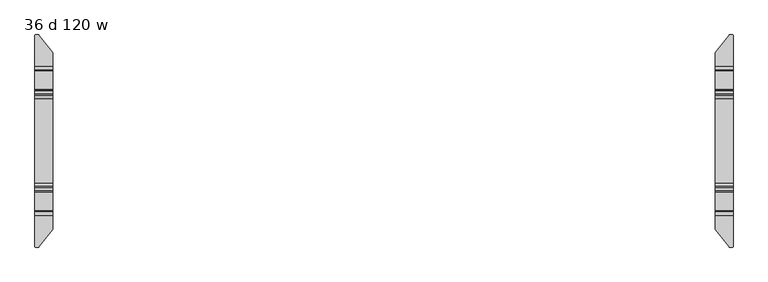
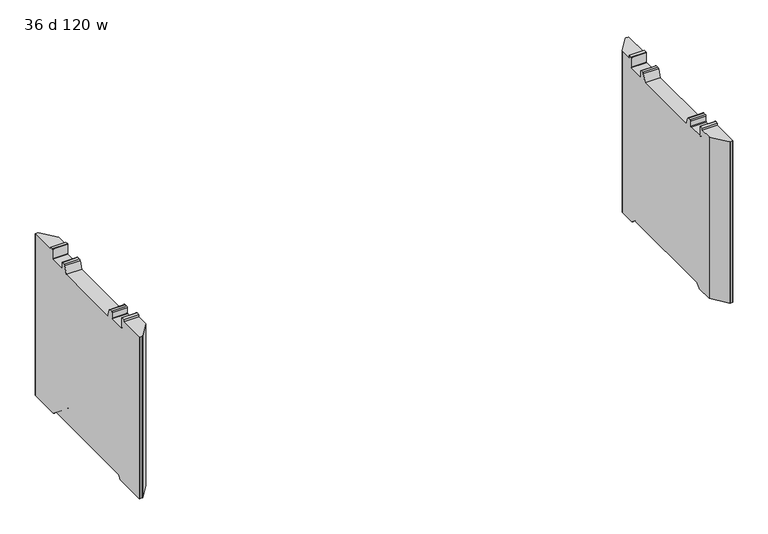
"""IFC4 building model written with IfcOpenShell, lengths in millimetres: furniture geometry, 36 d 120 w."""

from ifc_helpers import new_model, si_unit, frame, origin, place, context, project, spatial, polyline, circle_curve, source, transform, mapped, element, save
from ifc_brep_helpers import plane_surface, cylinder_surface, revolved_surface, advanced_brep


def furniture_36_d_120_w_245aab2d(model_context):
    return source(origin(), model_context, "Body", "AdvancedBrep", [
        advanced_brep(
        [(-1475.1161014, 453.756006, 12.2237497), (-1473.4757746, 452.9624669, 12.2237497), (-1414.2991168, 378.21303, 12.2237497), (-1413.7789661, 376.7179953, 12.2237497), (-1413.7789661, 294.9587399, 12.2237497), (-1489.9632694, 294.9587399, 12.2237497), (-1489.9632694, 452.1791145, 12.2237497), (-1488.3863779, 453.756006, 12.2237497), (-1413.7789661, -376.7179953, 12.2237497), (-1414.2991168, -378.21303, 12.2237497), (-1473.4757746, -452.9624669, 12.2237497), (-1475.1161014, -453.756006, 12.2237497), (-1488.3863779, -453.756006, 12.2237497), (-1489.9632694, -452.1791145, 12.2237497), (-1489.9632694, -294.9587399, 12.2237497), (-1413.7789661, -294.9587399, 12.2237497), (-1488.3863779, 453.756006, 868.6901447), (-1475.1161014, 453.756006, 868.6901447), (-1489.9632694, 452.1791145, 868.6901447), (-1489.9632694, 289.7594731, 14.3773565), (-1489.9632694, 273.2848361, 30.8519935), (-1489.9632694, 268.050421, 33.0201593), (-1489.9632694, -268.050421, 33.0201593), (-1489.9632694, -273.2848361, 30.8519935), (-1489.9632694, -289.7594731, 14.3773565), (-1489.9632694, -452.1791145, 868.6901447), (-1489.9632694, -318.1440074, 868.6901447), (-1489.9632694, -318.1440074, 879.7001558), (-1489.9632694, -302.2559965, 879.7001558), (-1489.9632694, -300.2560005, 877.7001598), (-1489.9632694, -300.2560005, 828.2251456), (-1489.9632694, -298.2560045, 826.2251495), (-1489.9632694, -220.2560008, 826.2251495), (-1489.9632694, -218.2560002, 828.2251501), (-1489.9632694, -218.2560002, 856.2251352), (-1489.9632694, -213.255942, 861.2251934), (-1489.9632694, -199.7023259, 861.2251934), (-1489.9632694, -193.735277, 857.0470192), (-1489.9632694, -179.6052798, 818.2251291), (-1489.9632694, 179.6052798, 818.2251291), (-1489.9632694, 193.735277, 857.0470192), (-1489.9632694, 199.7023259, 861.2251934), (-1489.9632694, 213.255942, 861.2251934), (-1489.9632694, 218.2560002, 856.2251352), (-1489.9632694, 218.2560002, 828.2251501), (-1489.9632694, 220.2560008, 826.2251495), (-1489.9632694, 298.2560045, 826.2251495), (-1489.9632694, 300.2560005, 828.2251456), (-1489.9632694, 300.2560005, 877.7001598), (-1489.9632694, 302.2559965, 879.7001558), (-1489.9632694, 318.1440074, 879.7001558), (-1489.9632694, 318.1440074, 868.6901447), (-1488.3863779, -453.756006, 868.6901447), (-1475.1161014, -453.756006, 868.6901447), (-1473.4757746, -452.9624669, 868.6901447), (-1414.2991168, -378.21303, 868.6901447), (-1413.7789661, -376.7179953, 868.6901447), (-1413.7789661, -289.7594731, 14.3773565), (-1413.7789661, -273.2848361, 30.8519935), (-1413.7789661, -268.050421, 33.0201593), (-1413.7789661, 268.050421, 33.0201593), (-1413.7789661, 273.2848361, 30.8519935), (-1413.7789661, 289.7594731, 14.3773565), (-1413.7789661, 376.7179953, 868.6901447), (-1413.7789661, 318.1440074, 868.6901447), (-1413.7789661, 318.1440074, 879.7001558), (-1413.7789661, 302.2559965, 879.7001558), (-1413.7789661, 300.2560005, 877.7001598), (-1413.7789661, 300.2560005, 828.2251456), (-1413.7789661, 298.2560045, 826.2251495), (-1413.7789661, 220.2560008, 826.2251495), (-1413.7789661, 218.2560002, 828.2251501), (-1413.7789661, 218.2560002, 856.2251352), (-1413.7789661, 213.255942, 861.2251934), (-1413.7789661, 199.7023259, 861.2251934), (-1413.7789661, 193.735277, 857.0470192), (-1413.7789661, 179.6052798, 818.2251291), (-1413.7789661, -179.6052798, 818.2251291), (-1413.7789661, -193.735277, 857.0470192), (-1413.7789661, -199.7023259, 861.2251934), (-1413.7789661, -213.255942, 861.2251934), (-1413.7789661, -218.2560002, 856.2251352), (-1413.7789661, -218.2560002, 828.2251501), (-1413.7789661, -220.2560008, 826.2251495), (-1413.7789661, -298.2560045, 826.2251495), (-1413.7789661, -300.2560005, 828.2251456), (-1413.7789661, -300.2560005, 877.7001598), (-1413.7789661, -302.2559965, 879.7001558), (-1413.7789661, -318.1440074, 879.7001558), (-1413.7789661, -318.1440074, 868.6901447), (-1414.2991168, 378.21303, 868.6901447), (-1473.4757746, 452.9624669, 868.6901447)],
        [
            (0, 1, circle_curve(frame((-1475.1161014, 451.6638745, 12.2237497), z_axis=(0.0, 0.0, -1.0), x_axis=(-1.0, 0.0, 0.0)), 2.0921315)),
            (1, 2),
            (2, 3, circle_curve(frame((-1416.187581, 376.7179953, 12.2237497), z_axis=(0.0, 0.0, -1.0), x_axis=(-1.0, 0.0, 0.0)), 2.4086149)),
            (3, 4),
            (4, 5),
            (5, 6),
            (6, 7, circle_curve(frame((-1488.3863779, 452.1791145, 12.2237497), z_axis=(0.0, 0.0, -1.0), x_axis=(-1.0, 0.0, 0.0)), 1.5768915)),
            (7, 0),
            (8, 9, circle_curve(frame((-1416.187581, -376.7179953, 12.2237497), z_axis=(0.0, 0.0, -1.0), x_axis=(-1.0, 0.0, 0.0)), 2.4086149)),
            (9, 10),
            (10, 11, circle_curve(frame((-1475.1161014, -451.6638745, 12.2237497), z_axis=(0.0, 0.0, -1.0), x_axis=(-1.0, 0.0, 0.0)), 2.0921315)),
            (11, 12),
            (12, 13, circle_curve(frame((-1488.3863779, -452.1791145, 12.2237497), z_axis=(0.0, 0.0, -1.0), x_axis=(-1.0, 0.0, 0.0)), 1.5768915)),
            (13, 14),
            (14, 15),
            (15, 8),
            (7, 16),
            (16, 17),
            (17, 0),
            (6, 18),
            (18, 16, circle_curve(frame((-1488.3863779, 452.1791145, 868.6901447), z_axis=(0.0, 0.0, -1.0), x_axis=(-1.0, 0.0, 0.0)), 1.5768915)),
            (5, 19, circle_curve(frame((-1489.9632694, 294.9587399, 19.5766232), z_axis=(-1.0, 0.0, 0.0), x_axis=(0.0, -1.0, 0.0)), 7.3528735)),
            (19, 20),
            (20, 21, circle_curve(frame((-1489.9632694, 268.050421, 25.6175784), z_axis=(1.0, 0.0, 0.0), x_axis=(0.0, -1.0, 0.0)), 7.4025809)),
            (21, 22),
            (22, 23, circle_curve(frame((-1489.9632694, -268.050421, 25.6175784), z_axis=(1.0, 0.0, 0.0), x_axis=(0.0, -1.0, 0.0)), 7.4025809)),
            (23, 24),
            (24, 14, circle_curve(frame((-1489.9632694, -294.9587399, 19.5766232), z_axis=(-1.0, 0.0, 0.0), x_axis=(0.0, -1.0, 0.0)), 7.3528735)),
            (13, 25),
            (25, 26),
            (26, 27),
            (27, 28),
            (28, 29, circle_curve(frame((-1489.9632694, -302.2559965, 877.7001598), z_axis=(-1.0, 0.0, 0.0), x_axis=(0.0, -1.0, 0.0)), 1.999996)),
            (29, 30),
            (30, 31, circle_curve(frame((-1489.9632694, -298.2560045, 828.2251456), z_axis=(1.0, 0.0, 0.0), x_axis=(0.0, -1.0, 0.0)), 1.999996)),
            (31, 32),
            (32, 33, circle_curve(frame((-1489.9632694, -220.2560008, 828.2251501), z_axis=(1.0, 0.0, 0.0), x_axis=(0.0, -1.0, 0.0)), 2.0000006)),
            (33, 34),
            (34, 35, circle_curve(frame((-1489.9632694, -213.255942, 856.2251352), z_axis=(-1.0, 0.0, 0.0), x_axis=(0.0, -1.0, 0.0)), 5.0000582)),
            (35, 36),
            (36, 37, circle_curve(frame((-1489.9632694, -199.7023259, 854.8751934), z_axis=(-1.0, 0.0, 0.0), x_axis=(0.0, -1.0, 0.0)), 6.35)),
            (37, 38),
            (38, 39),
            (39, 40),
            (40, 41, circle_curve(frame((-1489.9632694, 199.7023259, 854.8751934), z_axis=(-1.0, 0.0, 0.0), x_axis=(0.0, -1.0, 0.0)), 6.35)),
            (41, 42),
            (42, 43, circle_curve(frame((-1489.9632694, 213.255942, 856.2251352), z_axis=(-1.0, 0.0, 0.0), x_axis=(0.0, -1.0, 0.0)), 5.0000582)),
            (43, 44),
            (44, 45, circle_curve(frame((-1489.9632694, 220.2560008, 828.2251501), z_axis=(1.0, 0.0, 0.0), x_axis=(0.0, -1.0, 0.0)), 2.0000006)),
            (45, 46),
            (46, 47, circle_curve(frame((-1489.9632694, 298.2560045, 828.2251456), z_axis=(1.0, 0.0, 0.0), x_axis=(0.0, -1.0, 0.0)), 1.999996)),
            (47, 48),
            (48, 49, circle_curve(frame((-1489.9632694, 302.2559965, 877.7001598), z_axis=(-1.0, 0.0, 0.0), x_axis=(0.0, -1.0, 0.0)), 1.999996)),
            (49, 50),
            (50, 51),
            (51, 18),
            (12, 52),
            (52, 25, circle_curve(frame((-1488.3863779, -452.1791145, 868.6901447), z_axis=(0.0, 0.0, -1.0), x_axis=(-1.0, 0.0, 0.0)), 1.5768915)),
            (11, 53),
            (53, 52),
            (10, 54),
            (54, 53, circle_curve(frame((-1475.1161014, -451.6638745, 868.6901447), z_axis=(0.0, 0.0, -1.0), x_axis=(-1.0, 0.0, 0.0)), 2.0921315)),
            (9, 55),
            (55, 54),
            (8, 56),
            (56, 55, circle_curve(frame((-1416.187581, -376.7179953, 868.6901447), z_axis=(0.0, 0.0, -1.0), x_axis=(-1.0, 0.0, 0.0)), 2.4086149)),
            (15, 57, circle_curve(frame((-1413.7789661, -294.9587399, 19.5766232), z_axis=(1.0, 0.0, 0.0), x_axis=(0.0, -1.0, 0.0)), 7.3528735)),
            (57, 58),
            (58, 59, circle_curve(frame((-1413.7789661, -268.050421, 25.6175784), z_axis=(-1.0, 0.0, 0.0), x_axis=(0.0, -1.0, 0.0)), 7.4025809)),
            (59, 60),
            (60, 61, circle_curve(frame((-1413.7789661, 268.050421, 25.6175784), z_axis=(-1.0, 0.0, 0.0), x_axis=(0.0, -1.0, 0.0)), 7.4025809)),
            (61, 62),
            (62, 4, circle_curve(frame((-1413.7789661, 294.9587399, 19.5766232), z_axis=(1.0, 0.0, 0.0), x_axis=(0.0, -1.0, 0.0)), 7.3528735)),
            (3, 63),
            (63, 64),
            (64, 65),
            (65, 66),
            (66, 67, circle_curve(frame((-1413.7789661, 302.2559965, 877.7001598), z_axis=(1.0, 0.0, 0.0), x_axis=(0.0, -1.0, 0.0)), 1.999996)),
            (67, 68),
            (68, 69, circle_curve(frame((-1413.7789661, 298.2560045, 828.2251456), z_axis=(-1.0, 0.0, 0.0), x_axis=(0.0, -1.0, 0.0)), 1.999996)),
            (69, 70),
            (70, 71, circle_curve(frame((-1413.7789661, 220.2560008, 828.2251501), z_axis=(-1.0, 0.0, 0.0), x_axis=(0.0, -1.0, 0.0)), 2.0000006)),
            (71, 72),
            (72, 73, circle_curve(frame((-1413.7789661, 213.255942, 856.2251352), z_axis=(1.0, 0.0, 0.0), x_axis=(0.0, -1.0, 0.0)), 5.0000582)),
            (73, 74),
            (74, 75, circle_curve(frame((-1413.7789661, 199.7023259, 854.8751934), z_axis=(1.0, 0.0, 0.0), x_axis=(0.0, -1.0, 0.0)), 6.35)),
            (75, 76),
            (76, 77),
            (77, 78),
            (78, 79, circle_curve(frame((-1413.7789661, -199.7023259, 854.8751934), z_axis=(1.0, 0.0, 0.0), x_axis=(0.0, -1.0, 0.0)), 6.35)),
            (79, 80),
            (80, 81, circle_curve(frame((-1413.7789661, -213.255942, 856.2251352), z_axis=(1.0, 0.0, 0.0), x_axis=(0.0, -1.0, 0.0)), 5.0000582)),
            (81, 82),
            (82, 83, circle_curve(frame((-1413.7789661, -220.2560008, 828.2251501), z_axis=(-1.0, 0.0, 0.0), x_axis=(0.0, -1.0, 0.0)), 2.0000006)),
            (83, 84),
            (84, 85, circle_curve(frame((-1413.7789661, -298.2560045, 828.2251456), z_axis=(-1.0, 0.0, 0.0), x_axis=(0.0, -1.0, 0.0)), 1.999996)),
            (85, 86),
            (86, 87, circle_curve(frame((-1413.7789661, -302.2559965, 877.7001598), z_axis=(1.0, 0.0, 0.0), x_axis=(0.0, -1.0, 0.0)), 1.999996)),
            (87, 88),
            (88, 89),
            (89, 56),
            (2, 90),
            (90, 63, circle_curve(frame((-1416.187581, 376.7179953, 868.6901447), z_axis=(0.0, 0.0, -1.0), x_axis=(-1.0, 0.0, 0.0)), 2.4086149)),
            (1, 91),
            (91, 90),
            (17, 91, circle_curve(frame((-1475.1161014, 451.6638745, 868.6901447), z_axis=(0.0, 0.0, -1.0), x_axis=(-1.0, 0.0, 0.0)), 2.0921315)),
            (50, 65),
            (64, 51),
            (89, 26),
            (88, 27),
            (87, 28),
            (86, 29),
            (85, 30),
            (84, 31),
            (83, 32),
            (82, 33),
            (81, 34),
            (80, 35),
            (79, 36),
            (78, 37),
            (77, 38),
            (76, 39),
            (75, 40),
            (74, 41),
            (73, 42),
            (72, 43),
            (71, 44),
            (70, 45),
            (69, 46),
            (68, 47),
            (67, 48),
            (66, 49),
            (19, 62),
            (61, 20),
            (60, 21),
            (59, 22),
            (58, 23),
            (57, 24),
        ],
        [
            plane_surface(frame((-1488.3863779, 453.756006, 12.2237497), z_axis=(0.0, 0.0, -1.0), x_axis=(1.0, 0.0, 0.0))),
            plane_surface(frame((-1475.1161014, 453.756006, 884.8344355), z_axis=(0.0, 1.0, 0.0), x_axis=(0.0, 0.0, -1.0))),
            cylinder_surface(frame((-1488.3863779, 452.1791145, 12.2237497), z_axis=(0.0, 0.0, 1.0), x_axis=(-1.0, 0.0, 0.0)), 1.5768915),
            plane_surface(frame((-1489.9632694, 452.1791145, 884.8344355), z_axis=(-1.0, 0.0, 0.0), x_axis=(0.0, 0.0, -1.0))),
            cylinder_surface(frame((-1488.3863779, -452.1791145, 12.2237497), z_axis=(0.0, 0.0, 1.0), x_axis=(-1.0, 0.0, 0.0)), 1.5768915),
            plane_surface(frame((-1488.3863779, -453.756006, 884.8344355), z_axis=(0.0, -1.0, 0.0), x_axis=(0.0, 0.0, -1.0))),
            cylinder_surface(frame((-1475.1161014, -451.6638745, 12.2237497), z_axis=(0.0, 0.0, 1.0), x_axis=(-1.0, 0.0, 0.0)), 2.0921315),
            plane_surface(frame((-1473.4757746, -452.9624669, 884.8344355), z_axis=(0.7840457211746549, -0.6207030748334628, 0.0), x_axis=(0.0, 0.0, -1.0))),
            cylinder_surface(frame((-1416.187581, -376.7179953, 12.2237497), z_axis=(0.0, 0.0, 1.0), x_axis=(-1.0, 0.0, 0.0)), 2.4086149),
            plane_surface(frame((-1413.7789661, -376.7179953, 884.8344355), z_axis=(1.0, 0.0, 0.0), x_axis=(0.0, 0.0, -1.0))),
            cylinder_surface(frame((-1416.187581, 376.7179953, 12.2237497), z_axis=(0.0, 0.0, 1.0), x_axis=(-1.0, 0.0, 0.0)), 2.4086149),
            plane_surface(frame((-1414.2991168, 378.21303, 884.8344355), z_axis=(0.784045721174651, 0.6207030748334678, 0.0), x_axis=(0.0, 0.0, -1.0))),
            cylinder_surface(frame((-1475.1161014, 451.6638745, 12.2237497), z_axis=(0.0, 0.0, 1.0), x_axis=(-1.0, 0.0, 0.0)), 2.0921315),
            plane_surface(frame((1489.9632694, 318.1440074, 879.7001558), z_axis=(0.0, 1.0, 0.0), x_axis=(-1.0, 0.0, 0.0))),
            plane_surface(frame((1489.9632694, 318.1440074, 868.6901447), z_axis=(0.0, 0.0, 1.0), x_axis=(-1.0, 0.0, 0.0))),
            plane_surface(frame((1489.9632694, -455.1440027, 868.6901447), z_axis=(0.0, 0.0, 1.0), x_axis=(-1.0, 0.0, 0.0))),
            plane_surface(frame((1489.9632694, -318.1440074, 868.6901447), z_axis=(0.0, -1.0, 0.0), x_axis=(-1.0, 0.0, 0.0))),
            plane_surface(frame((1489.9632694, -318.1440074, 879.7001558), z_axis=(0.0, 0.0, 1.0), x_axis=(-1.0, 0.0, 0.0))),
            cylinder_surface(frame((1489.9632694, -302.2559965, 877.7001598), z_axis=(-1.0, 0.0, 0.0), x_axis=(0.0, -1.0, 0.0)), 1.999996),
            plane_surface(frame((1489.9632694, -300.2560005, 877.7001598), z_axis=(0.0, 1.0, 0.0), x_axis=(-1.0, 0.0, 0.0))),
            revolved_surface(polyline([(-1413.7789661, -300.2560005, 828.2251456), (-1489.9632694, -300.2560005, 828.2251456)]), (1489.9632694, -298.2560045, 828.2251456), (1.0, 0.0, 0.0)),
            plane_surface(frame((1489.9632694, -298.2560045, 826.2251495), z_axis=(0.0, 0.0, 1.0), x_axis=(-1.0, 0.0, 0.0))),
            revolved_surface(polyline([(-1413.7789661, -222.2560014, 828.2251501), (-1489.9632694, -222.2560014, 828.2251501)]), (1489.9632694, -220.2560008, 828.2251501), (1.0, 0.0, 0.0)),
            plane_surface(frame((1489.9632694, -218.2560002, 828.2251501), z_axis=(0.0, -1.0, 0.0), x_axis=(-1.0, 0.0, 0.0))),
            cylinder_surface(frame((1489.9632694, -213.255942, 856.2251352), z_axis=(-1.0, 0.0, 0.0), x_axis=(0.0, -1.0, 0.0)), 5.0000582),
            plane_surface(frame((1489.9632694, -213.255942, 861.2251934), z_axis=(0.0, 0.0, 1.0), x_axis=(-1.0, 0.0, 0.0))),
            cylinder_surface(frame((1489.9632694, -199.7023259, 854.8751934), z_axis=(-1.0, 0.0, 0.0), x_axis=(0.0, -1.0, 0.0)), 6.35),
            plane_surface(frame((1489.9632694, -193.735277, 857.0470192), z_axis=(0.0, 0.9396927394269929, 0.34201981736179204), x_axis=(-1.0, 0.0, 0.0))),
            plane_surface(frame((1489.9632694, -179.6052798, 818.2251291), z_axis=(0.0, 0.0, 1.0), x_axis=(-1.0, 0.0, 0.0))),
            plane_surface(frame((1489.9632694, 179.6052798, 818.2251291), z_axis=(0.0, -0.9396927394269924, 0.3420198173617935), x_axis=(-1.0, 0.0, 0.0))),
            cylinder_surface(frame((1489.9632694, 199.7023259, 854.8751934), z_axis=(-1.0, 0.0, 0.0), x_axis=(0.0, -1.0, 0.0)), 6.35),
            plane_surface(frame((1489.9632694, 199.7023259, 861.2251934), z_axis=(0.0, 0.0, 1.0), x_axis=(-1.0, 0.0, 0.0))),
            cylinder_surface(frame((1489.9632694, 213.255942, 856.2251352), z_axis=(-1.0, 0.0, 0.0), x_axis=(0.0, -1.0, 0.0)), 5.0000582),
            plane_surface(frame((1489.9632694, 218.2560002, 856.2251352), z_axis=(0.0, 1.0, 0.0), x_axis=(-1.0, 0.0, 0.0))),
            revolved_surface(polyline([(-1413.7789661, 218.25600020000002, 828.2251501), (-1489.9632694, 218.25600020000002, 828.2251501)]), (1489.9632694, 220.2560008, 828.2251501), (1.0, 0.0, 0.0)),
            plane_surface(frame((1489.9632694, 220.2560008, 826.2251495), z_axis=(0.0, 0.0, 1.0), x_axis=(-1.0, 0.0, 0.0))),
            revolved_surface(polyline([(-1413.7789661, 296.2560085, 828.2251456), (-1489.9632694, 296.2560085, 828.2251456)]), (1489.9632694, 298.2560045, 828.2251456), (1.0, 0.0, 0.0)),
            plane_surface(frame((1489.9632694, 300.2560005, 828.2251456), z_axis=(0.0, -1.0, 0.0), x_axis=(-1.0, 0.0, 0.0))),
            cylinder_surface(frame((1489.9632694, 302.2559965, 877.7001598), z_axis=(-1.0, 0.0, 0.0), x_axis=(0.0, -1.0, 0.0)), 1.999996),
            plane_surface(frame((1489.9632694, 302.2559965, 879.7001558), z_axis=(0.0, 0.0, 1.0), x_axis=(-1.0, 0.0, 0.0))),
            plane_surface(frame((1489.9632694, 289.7594731, 14.3773565), z_axis=(0.0, -0.7071067811865476, -0.7071067811865476), x_axis=(-1.0, 0.0, 0.0))),
            revolved_surface(polyline([(-1413.7789661, 260.6478401, 25.6175784), (-1489.9632694, 260.6478401, 25.6175784)]), (1489.9632694, 268.050421, 25.6175784), (1.0, 0.0, 0.0)),
            plane_surface(frame((1489.9632694, 268.050421, 33.0201593), z_axis=(0.0, 0.0, -1.0), x_axis=(-1.0, 0.0, 0.0))),
            revolved_surface(polyline([(-1413.7789661, -275.45300189999995, 25.6175784), (-1489.9632694, -275.45300189999995, 25.6175784)]), (1489.9632694, -268.050421, 25.6175784), (1.0, 0.0, 0.0)),
            plane_surface(frame((1489.9632694, -273.2848361, 30.8519935), z_axis=(0.0, 0.7071067811865469, -0.7071067811865482), x_axis=(-1.0, 0.0, 0.0))),
            cylinder_surface(frame((1489.9632694, -294.9587399, 19.5766232), z_axis=(-1.0, 0.0, 0.0), x_axis=(0.0, -1.0, 0.0)), 7.3528735),
            cylinder_surface(frame((1489.9632694, 294.9587399, 19.5766232), z_axis=(-1.0, 0.0, 0.0), x_axis=(0.0, -1.0, 0.0)), 7.3528735),
        ],
        [
            (0, [[1, 2, 3, 4, 5, 6, 7, 8]]),
            (0, [[9, 10, 11, 12, 13, 14, 15, 16]]),
            (1, [[-8, 17, 18, 19]]),
            (2, [[-7, 20, 21, -17]]),
            (3, [[-20, -6, 22, 23, 24, 25, 26, 27, 28, -14, 29, 30, 31, 32, 33, 34, 35, 36, 37, 38, 39, 40, 41, 42, 43, 44, 45, 46, 47, 48, 49, 50, 51, 52, 53, 54, 55, 56]]),
            (4, [[-13, 57, 58, -29]]),
            (5, [[-12, 59, 60, -57]]),
            (6, [[-11, 61, 62, -59]]),
            (7, [[-10, 63, 64, -61]]),
            (8, [[-9, 65, 66, -63]]),
            (9, [[-65, -16, 67, 68, 69, 70, 71, 72, 73, -4, 74, 75, 76, 77, 78, 79, 80, 81, 82, 83, 84, 85, 86, 87, 88, 89, 90, 91, 92, 93, 94, 95, 96, 97, 98, 99, 100, 101]]),
            (10, [[-3, 102, 103, -74]]),
            (11, [[-2, 104, 105, -102]]),
            (12, [[-1, -19, 106, -104]]),
            (13, [[107, -76, 108, -55]]),
            (14, [[-108, -75, -103, -105, -106, -18, -21, -56]]),
            (15, [[109, -30, -58, -60, -62, -64, -66, -101]]),
            (16, [[-109, -100, 110, -31]]),
            (17, [[-110, -99, 111, -32]]),
            (18, [[-111, -98, 112, -33]]),
            (19, [[-112, -97, 113, -34]]),
            (20, [[-113, -96, 114, -35]]),
            (21, [[-114, -95, 115, -36]]),
            (22, [[-115, -94, 116, -37]]),
            (23, [[-116, -93, 117, -38]]),
            (24, [[-117, -92, 118, -39]]),
            (25, [[-118, -91, 119, -40]]),
            (26, [[-119, -90, 120, -41]]),
            (27, [[-120, -89, 121, -42]]),
            (28, [[-121, -88, 122, -43]]),
            (29, [[-122, -87, 123, -44]]),
            (30, [[-123, -86, 124, -45]]),
            (31, [[-124, -85, 125, -46]]),
            (32, [[-125, -84, 126, -47]]),
            (33, [[-126, -83, 127, -48]]),
            (34, [[-127, -82, 128, -49]]),
            (35, [[-128, -81, 129, -50]]),
            (36, [[-129, -80, 130, -51]]),
            (37, [[-130, -79, 131, -52]]),
            (38, [[-131, -78, 132, -53]]),
            (39, [[-107, -54, -132, -77]]),
            (40, [[133, -72, 134, -23]]),
            (41, [[-134, -71, 135, -24]]),
            (42, [[-135, -70, 136, -25]]),
            (43, [[-136, -69, 137, -26]]),
            (44, [[-137, -68, 138, -27]]),
            (45, [[-138, -67, -15, -28]]),
            (46, [[-133, -22, -5, -73]]),
        ],
    ),
        advanced_brep(
        [(1475.1161014, 453.756006, 12.2237497), (1488.3863779, 453.756006, 12.2237497), (1489.9632694, 452.1791145, 12.2237497), (1489.9632694, 294.9587399, 12.2237497), (1413.7789661, 294.9587399, 12.2237497), (1413.7789661, 376.7179953, 12.2237497), (1414.2991168, 378.21303, 12.2237497), (1473.4757746, 452.9624669, 12.2237497), (1489.9632694, -452.1791145, 12.2237497), (1488.3863779, -453.756006, 12.2237497), (1475.1161014, -453.756006, 12.2237497), (1473.4757746, -452.9624669, 12.2237497), (1414.2991168, -378.21303, 12.2237497), (1413.7789661, -376.7179953, 12.2237497), (1413.7789661, -294.9587399, 12.2237497), (1489.9632694, -294.9587399, 12.2237497), (1473.4757746, 452.9624669, 868.6901447), (1475.1161014, 453.756006, 868.6901447), (1414.2991168, 378.21303, 868.6901447), (1413.7789661, 376.7179953, 868.6901447), (1413.7789661, 289.7594731, 14.3773565), (1413.7789661, 273.2848361, 30.8519935), (1413.7789661, 268.050421, 33.0201593), (1413.7789661, -268.050421, 33.0201593), (1413.7789661, -273.2848361, 30.8519935), (1413.7789661, -289.7594731, 14.3773565), (1413.7789661, -376.7179953, 868.6901447), (1413.7789661, -318.1440074, 868.6901447), (1413.7789661, -318.1440074, 879.7001558), (1413.7789661, -302.2559965, 879.7001558), (1413.7789661, -300.2560005, 877.7001598), (1413.7789661, -300.2560005, 828.2251456), (1413.7789661, -298.2560045, 826.2251495), (1413.7789661, -220.2560008, 826.2251495), (1413.7789661, -218.2560002, 828.2251501), (1413.7789661, -218.2560002, 856.2251352), (1413.7789661, -213.255942, 861.2251934), (1413.7789661, -199.7023259, 861.2251934), (1413.7789661, -193.735277, 857.0470192), (1413.7789661, -179.6052798, 818.2251291), (1413.7789661, 179.6052798, 818.2251291), (1413.7789661, 193.735277, 857.0470192), (1413.7789661, 199.7023259, 861.2251934), (1413.7789661, 213.255942, 861.2251934), (1413.7789661, 218.2560002, 856.2251352), (1413.7789661, 218.2560002, 828.2251501), (1413.7789661, 220.2560008, 826.2251495), (1413.7789661, 298.2560045, 826.2251495), (1413.7789661, 300.2560005, 828.2251456), (1413.7789661, 300.2560005, 877.7001598), (1413.7789661, 302.2559965, 879.7001558), (1413.7789661, 318.1440074, 879.7001558), (1413.7789661, 318.1440074, 868.6901447), (1414.2991168, -378.21303, 868.6901447), (1473.4757746, -452.9624669, 868.6901447), (1475.1161014, -453.756006, 868.6901447), (1488.3863779, -453.756006, 868.6901447), (1489.9632694, -452.1791145, 868.6901447), (1489.9632694, -289.7594731, 14.3773565), (1489.9632694, -273.2848361, 30.8519935), (1489.9632694, -268.050421, 33.0201593), (1489.9632694, 268.050421, 33.0201593), (1489.9632694, 273.2848361, 30.8519935), (1489.9632694, 289.7594731, 14.3773565), (1489.9632694, 452.1791145, 868.6901447), (1489.9632694, 318.1440074, 868.6901447), (1489.9632694, 318.1440074, 879.7001558), (1489.9632694, 302.2559965, 879.7001558), (1489.9632694, 300.2560005, 877.7001598), (1489.9632694, 300.2560005, 828.2251456), (1489.9632694, 298.2560045, 826.2251495), (1489.9632694, 220.2560008, 826.2251495), (1489.9632694, 218.2560002, 828.2251501), (1489.9632694, 218.2560002, 856.2251352), (1489.9632694, 213.255942, 861.2251934), (1489.9632694, 199.7023259, 861.2251934), (1489.9632694, 193.735277, 857.0470192), (1489.9632694, 179.6052798, 818.2251291), (1489.9632694, -179.6052798, 818.2251291), (1489.9632694, -193.735277, 857.0470192), (1489.9632694, -199.7023259, 861.2251934), (1489.9632694, -213.255942, 861.2251934), (1489.9632694, -218.2560002, 856.2251352), (1489.9632694, -218.2560002, 828.2251501), (1489.9632694, -220.2560008, 826.2251495), (1489.9632694, -298.2560045, 826.2251495), (1489.9632694, -300.2560005, 828.2251456), (1489.9632694, -300.2560005, 877.7001598), (1489.9632694, -302.2559965, 879.7001558), (1489.9632694, -318.1440074, 879.7001558), (1489.9632694, -318.1440074, 868.6901447), (1488.3863779, 453.756006, 868.6901447)],
        [
            (0, 1),
            (1, 2, circle_curve(frame((1488.3863779, 452.1791145, 12.2237497), z_axis=(0.0, 0.0, -1.0), x_axis=(-1.0, 0.0, 0.0)), 1.5768915)),
            (2, 3),
            (3, 4),
            (4, 5),
            (5, 6, circle_curve(frame((1416.187581, 376.7179953, 12.2237497), z_axis=(0.0, 0.0, -1.0), x_axis=(-1.0, 0.0, 0.0)), 2.4086149)),
            (6, 7),
            (7, 0, circle_curve(frame((1475.1161014, 451.6638745, 12.2237497), z_axis=(0.0, 0.0, -1.0), x_axis=(-1.0, 0.0, 0.0)), 2.0921315)),
            (8, 9, circle_curve(frame((1488.3863779, -452.1791145, 12.2237497), z_axis=(0.0, 0.0, -1.0), x_axis=(-1.0, 0.0, 0.0)), 1.5768915)),
            (9, 10),
            (10, 11, circle_curve(frame((1475.1161014, -451.6638745, 12.2237497), z_axis=(0.0, 0.0, -1.0), x_axis=(-1.0, 0.0, 0.0)), 2.0921315)),
            (11, 12),
            (12, 13, circle_curve(frame((1416.187581, -376.7179953, 12.2237497), z_axis=(0.0, 0.0, -1.0), x_axis=(-1.0, 0.0, 0.0)), 2.4086149)),
            (13, 14),
            (14, 15),
            (15, 8),
            (7, 16),
            (16, 17, circle_curve(frame((1475.1161014, 451.6638745, 868.6901447), z_axis=(0.0, 0.0, -1.0), x_axis=(-1.0, 0.0, 0.0)), 2.0921315)),
            (17, 0),
            (6, 18),
            (18, 16),
            (5, 19),
            (19, 18, circle_curve(frame((1416.187581, 376.7179953, 868.6901447), z_axis=(0.0, 0.0, -1.0), x_axis=(-1.0, 0.0, 0.0)), 2.4086149)),
            (4, 20, circle_curve(frame((1413.7789661, 294.9587399, 19.5766232), z_axis=(-1.0, 0.0, 0.0), x_axis=(0.0, -1.0, 0.0)), 7.3528735)),
            (20, 21),
            (21, 22, circle_curve(frame((1413.7789661, 268.050421, 25.6175784), z_axis=(1.0, 0.0, 0.0), x_axis=(0.0, -1.0, 0.0)), 7.4025809)),
            (22, 23),
            (23, 24, circle_curve(frame((1413.7789661, -268.050421, 25.6175784), z_axis=(1.0, 0.0, 0.0), x_axis=(0.0, -1.0, 0.0)), 7.4025809)),
            (24, 25),
            (25, 14, circle_curve(frame((1413.7789661, -294.9587399, 19.5766232), z_axis=(-1.0, 0.0, 0.0), x_axis=(0.0, -1.0, 0.0)), 7.3528735)),
            (13, 26),
            (26, 27),
            (27, 28),
            (28, 29),
            (29, 30, circle_curve(frame((1413.7789661, -302.2559965, 877.7001598), z_axis=(-1.0, 0.0, 0.0), x_axis=(0.0, -1.0, 0.0)), 1.999996)),
            (30, 31),
            (31, 32, circle_curve(frame((1413.7789661, -298.2560045, 828.2251456), z_axis=(1.0, 0.0, 0.0), x_axis=(0.0, -1.0, 0.0)), 1.999996)),
            (32, 33),
            (33, 34, circle_curve(frame((1413.7789661, -220.2560008, 828.2251501), z_axis=(1.0, 0.0, 0.0), x_axis=(0.0, -1.0, 0.0)), 2.0000006)),
            (34, 35),
            (35, 36, circle_curve(frame((1413.7789661, -213.255942, 856.2251352), z_axis=(-1.0, 0.0, 0.0), x_axis=(0.0, -1.0, 0.0)), 5.0000582)),
            (36, 37),
            (37, 38, circle_curve(frame((1413.7789661, -199.7023259, 854.8751934), z_axis=(-1.0, 0.0, 0.0), x_axis=(0.0, -1.0, 0.0)), 6.35)),
            (38, 39),
            (39, 40),
            (40, 41),
            (41, 42, circle_curve(frame((1413.7789661, 199.7023259, 854.8751934), z_axis=(-1.0, 0.0, 0.0), x_axis=(0.0, -1.0, 0.0)), 6.35)),
            (42, 43),
            (43, 44, circle_curve(frame((1413.7789661, 213.255942, 856.2251352), z_axis=(-1.0, 0.0, 0.0), x_axis=(0.0, -1.0, 0.0)), 5.0000582)),
            (44, 45),
            (45, 46, circle_curve(frame((1413.7789661, 220.2560008, 828.2251501), z_axis=(1.0, 0.0, 0.0), x_axis=(0.0, -1.0, 0.0)), 2.0000006)),
            (46, 47),
            (47, 48, circle_curve(frame((1413.7789661, 298.2560045, 828.2251456), z_axis=(1.0, 0.0, 0.0), x_axis=(0.0, -1.0, 0.0)), 1.999996)),
            (48, 49),
            (49, 50, circle_curve(frame((1413.7789661, 302.2559965, 877.7001598), z_axis=(-1.0, 0.0, 0.0), x_axis=(0.0, -1.0, 0.0)), 1.999996)),
            (50, 51),
            (51, 52),
            (52, 19),
            (12, 53),
            (53, 26, circle_curve(frame((1416.187581, -376.7179953, 868.6901447), z_axis=(0.0, 0.0, -1.0), x_axis=(-1.0, 0.0, 0.0)), 2.4086149)),
            (11, 54),
            (54, 53),
            (10, 55),
            (55, 54, circle_curve(frame((1475.1161014, -451.6638745, 868.6901447), z_axis=(0.0, 0.0, -1.0), x_axis=(-1.0, 0.0, 0.0)), 2.0921315)),
            (9, 56),
            (56, 55),
            (8, 57),
            (57, 56, circle_curve(frame((1488.3863779, -452.1791145, 868.6901447), z_axis=(0.0, 0.0, -1.0), x_axis=(-1.0, 0.0, 0.0)), 1.5768915)),
            (15, 58, circle_curve(frame((1489.9632694, -294.9587399, 19.5766232), z_axis=(1.0, 0.0, 0.0), x_axis=(0.0, -1.0, 0.0)), 7.3528735)),
            (58, 59),
            (59, 60, circle_curve(frame((1489.9632694, -268.050421, 25.6175784), z_axis=(-1.0, 0.0, 0.0), x_axis=(0.0, -1.0, 0.0)), 7.4025809)),
            (60, 61),
            (61, 62, circle_curve(frame((1489.9632694, 268.050421, 25.6175784), z_axis=(-1.0, 0.0, 0.0), x_axis=(0.0, -1.0, 0.0)), 7.4025809)),
            (62, 63),
            (63, 3, circle_curve(frame((1489.9632694, 294.9587399, 19.5766232), z_axis=(1.0, 0.0, 0.0), x_axis=(0.0, -1.0, 0.0)), 7.3528735)),
            (2, 64),
            (64, 65),
            (65, 66),
            (66, 67),
            (67, 68, circle_curve(frame((1489.9632694, 302.2559965, 877.7001598), z_axis=(1.0, 0.0, 0.0), x_axis=(0.0, -1.0, 0.0)), 1.999996)),
            (68, 69),
            (69, 70, circle_curve(frame((1489.9632694, 298.2560045, 828.2251456), z_axis=(-1.0, 0.0, 0.0), x_axis=(0.0, -1.0, 0.0)), 1.999996)),
            (70, 71),
            (71, 72, circle_curve(frame((1489.9632694, 220.2560008, 828.2251501), z_axis=(-1.0, 0.0, 0.0), x_axis=(0.0, -1.0, 0.0)), 2.0000006)),
            (72, 73),
            (73, 74, circle_curve(frame((1489.9632694, 213.255942, 856.2251352), z_axis=(1.0, 0.0, 0.0), x_axis=(0.0, -1.0, 0.0)), 5.0000582)),
            (74, 75),
            (75, 76, circle_curve(frame((1489.9632694, 199.7023259, 854.8751934), z_axis=(1.0, 0.0, 0.0), x_axis=(0.0, -1.0, 0.0)), 6.35)),
            (76, 77),
            (77, 78),
            (78, 79),
            (79, 80, circle_curve(frame((1489.9632694, -199.7023259, 854.8751934), z_axis=(1.0, 0.0, 0.0), x_axis=(0.0, -1.0, 0.0)), 6.35)),
            (80, 81),
            (81, 82, circle_curve(frame((1489.9632694, -213.255942, 856.2251352), z_axis=(1.0, 0.0, 0.0), x_axis=(0.0, -1.0, 0.0)), 5.0000582)),
            (82, 83),
            (83, 84, circle_curve(frame((1489.9632694, -220.2560008, 828.2251501), z_axis=(-1.0, 0.0, 0.0), x_axis=(0.0, -1.0, 0.0)), 2.0000006)),
            (84, 85),
            (85, 86, circle_curve(frame((1489.9632694, -298.2560045, 828.2251456), z_axis=(-1.0, 0.0, 0.0), x_axis=(0.0, -1.0, 0.0)), 1.999996)),
            (86, 87),
            (87, 88, circle_curve(frame((1489.9632694, -302.2559965, 877.7001598), z_axis=(1.0, 0.0, 0.0), x_axis=(0.0, -1.0, 0.0)), 1.999996)),
            (88, 89),
            (89, 90),
            (90, 57),
            (1, 91),
            (91, 64, circle_curve(frame((1488.3863779, 452.1791145, 868.6901447), z_axis=(0.0, 0.0, -1.0), x_axis=(-1.0, 0.0, 0.0)), 1.5768915)),
            (17, 91),
            (51, 66),
            (65, 52),
            (90, 27),
            (89, 28),
            (88, 29),
            (87, 30),
            (86, 31),
            (85, 32),
            (84, 33),
            (83, 34),
            (82, 35),
            (81, 36),
            (80, 37),
            (79, 38),
            (78, 39),
            (77, 40),
            (76, 41),
            (75, 42),
            (74, 43),
            (73, 44),
            (72, 45),
            (71, 46),
            (70, 47),
            (69, 48),
            (68, 49),
            (67, 50),
            (20, 63),
            (62, 21),
            (61, 22),
            (60, 23),
            (59, 24),
            (58, 25),
        ],
        [
            plane_surface(frame((-1488.3863779, 453.756006, 12.2237497), z_axis=(0.0, 0.0, -1.0), x_axis=(1.0, 0.0, 0.0))),
            cylinder_surface(frame((1475.1161014, 451.6638745, 12.2237497), z_axis=(0.0, 0.0, 1.0), x_axis=(-1.0, 0.0, 0.0)), 2.0921315),
            plane_surface(frame((1473.4757746, 452.9624669, 884.8344355), z_axis=(-0.784045721174679, 0.6207030748334326, 0.0), x_axis=(0.0, 0.0, -1.0))),
            cylinder_surface(frame((1416.187581, 376.7179953, 12.2237497), z_axis=(0.0, 0.0, 1.0), x_axis=(-1.0, 0.0, 0.0)), 2.4086149),
            plane_surface(frame((1413.7789661, 376.7179953, 884.8344355), z_axis=(-1.0, 0.0, 0.0), x_axis=(0.0, 0.0, -1.0))),
            cylinder_surface(frame((1416.187581, -376.7179953, 12.2237497), z_axis=(0.0, 0.0, 1.0), x_axis=(-1.0, 0.0, 0.0)), 2.4086149),
            plane_surface(frame((1414.2991168, -378.21303, 884.8344355), z_axis=(-0.7840457211745883, -0.6207030748335469, 0.0), x_axis=(0.0, 0.0, -1.0))),
            cylinder_surface(frame((1475.1161014, -451.6638745, 12.2237497), z_axis=(0.0, 0.0, 1.0), x_axis=(-1.0, 0.0, 0.0)), 2.0921315),
            plane_surface(frame((1475.1161014, -453.756006, 884.8344355), z_axis=(0.0, -1.0, 0.0), x_axis=(0.0, 0.0, -1.0))),
            cylinder_surface(frame((1488.3863779, -452.1791145, 12.2237497), z_axis=(0.0, 0.0, 1.0), x_axis=(-1.0, 0.0, 0.0)), 1.5768915),
            plane_surface(frame((1489.9632694, -452.1791145, 884.8344355), z_axis=(1.0, 0.0, 0.0), x_axis=(0.0, 0.0, -1.0))),
            cylinder_surface(frame((1488.3863779, 452.1791145, 12.2237497), z_axis=(0.0, 0.0, 1.0), x_axis=(-1.0, 0.0, 0.0)), 1.5768915),
            plane_surface(frame((1488.3863779, 453.756006, 884.8344355), z_axis=(0.0, 1.0, 0.0), x_axis=(0.0, 0.0, -1.0))),
            plane_surface(frame((1489.9632694, 318.1440074, 879.7001558), z_axis=(0.0, 1.0, 0.0), x_axis=(-1.0, 0.0, 0.0))),
            plane_surface(frame((1489.9632694, 318.1440074, 868.6901447), z_axis=(0.0, 0.0, 1.0), x_axis=(-1.0, 0.0, 0.0))),
            plane_surface(frame((1489.9632694, -455.1440027, 868.6901447), z_axis=(0.0, 0.0, 1.0), x_axis=(-1.0, 0.0, 0.0))),
            plane_surface(frame((1489.9632694, -318.1440074, 868.6901447), z_axis=(0.0, -1.0, 0.0), x_axis=(-1.0, 0.0, 0.0))),
            plane_surface(frame((1489.9632694, -318.1440074, 879.7001558), z_axis=(0.0, 0.0, 1.0), x_axis=(-1.0, 0.0, 0.0))),
            cylinder_surface(frame((1489.9632694, -302.2559965, 877.7001598), z_axis=(-1.0, 0.0, 0.0), x_axis=(0.0, -1.0, 0.0)), 1.999996),
            plane_surface(frame((1489.9632694, -300.2560005, 877.7001598), z_axis=(0.0, 1.0, 0.0), x_axis=(-1.0, 0.0, 0.0))),
            revolved_surface(polyline([(1489.9632694, -300.2560005, 828.2251456), (1413.7789661, -300.2560005, 828.2251456)]), (1489.9632694, -298.2560045, 828.2251456), (1.0, 0.0, 0.0)),
            plane_surface(frame((1489.9632694, -298.2560045, 826.2251495), z_axis=(0.0, 0.0, 1.0), x_axis=(-1.0, 0.0, 0.0))),
            revolved_surface(polyline([(1489.9632694, -222.2560014, 828.2251501), (1413.7789661, -222.2560014, 828.2251501)]), (1489.9632694, -220.2560008, 828.2251501), (1.0, 0.0, 0.0)),
            plane_surface(frame((1489.9632694, -218.2560002, 828.2251501), z_axis=(0.0, -1.0, 0.0), x_axis=(-1.0, 0.0, 0.0))),
            cylinder_surface(frame((1489.9632694, -213.255942, 856.2251352), z_axis=(-1.0, 0.0, 0.0), x_axis=(0.0, -1.0, 0.0)), 5.0000582),
            plane_surface(frame((1489.9632694, -213.255942, 861.2251934), z_axis=(0.0, 0.0, 1.0), x_axis=(-1.0, 0.0, 0.0))),
            cylinder_surface(frame((1489.9632694, -199.7023259, 854.8751934), z_axis=(-1.0, 0.0, 0.0), x_axis=(0.0, -1.0, 0.0)), 6.35),
            plane_surface(frame((1489.9632694, -193.735277, 857.0470192), z_axis=(0.0, 0.9396927394269929, 0.34201981736179204), x_axis=(-1.0, 0.0, 0.0))),
            plane_surface(frame((1489.9632694, -179.6052798, 818.2251291), z_axis=(0.0, 0.0, 1.0), x_axis=(-1.0, 0.0, 0.0))),
            plane_surface(frame((1489.9632694, 179.6052798, 818.2251291), z_axis=(0.0, -0.9396927394269924, 0.3420198173617935), x_axis=(-1.0, 0.0, 0.0))),
            cylinder_surface(frame((1489.9632694, 199.7023259, 854.8751934), z_axis=(-1.0, 0.0, 0.0), x_axis=(0.0, -1.0, 0.0)), 6.35),
            plane_surface(frame((1489.9632694, 199.7023259, 861.2251934), z_axis=(0.0, 0.0, 1.0), x_axis=(-1.0, 0.0, 0.0))),
            cylinder_surface(frame((1489.9632694, 213.255942, 856.2251352), z_axis=(-1.0, 0.0, 0.0), x_axis=(0.0, -1.0, 0.0)), 5.0000582),
            plane_surface(frame((1489.9632694, 218.2560002, 856.2251352), z_axis=(0.0, 1.0, 0.0), x_axis=(-1.0, 0.0, 0.0))),
            revolved_surface(polyline([(1489.9632694, 218.25600020000002, 828.2251501), (1413.7789661, 218.25600020000002, 828.2251501)]), (1489.9632694, 220.2560008, 828.2251501), (1.0, 0.0, 0.0)),
            plane_surface(frame((1489.9632694, 220.2560008, 826.2251495), z_axis=(0.0, 0.0, 1.0), x_axis=(-1.0, 0.0, 0.0))),
            revolved_surface(polyline([(1489.9632694, 296.2560085, 828.2251456), (1413.7789661, 296.2560085, 828.2251456)]), (1489.9632694, 298.2560045, 828.2251456), (1.0, 0.0, 0.0)),
            plane_surface(frame((1489.9632694, 300.2560005, 828.2251456), z_axis=(0.0, -1.0, 0.0), x_axis=(-1.0, 0.0, 0.0))),
            cylinder_surface(frame((1489.9632694, 302.2559965, 877.7001598), z_axis=(-1.0, 0.0, 0.0), x_axis=(0.0, -1.0, 0.0)), 1.999996),
            plane_surface(frame((1489.9632694, 302.2559965, 879.7001558), z_axis=(0.0, 0.0, 1.0), x_axis=(-1.0, 0.0, 0.0))),
            plane_surface(frame((1489.9632694, 289.7594731, 14.3773565), z_axis=(0.0, -0.7071067811865476, -0.7071067811865476), x_axis=(-1.0, 0.0, 0.0))),
            revolved_surface(polyline([(1489.9632694, 260.6478401, 25.6175784), (1413.7789661, 260.6478401, 25.6175784)]), (1489.9632694, 268.050421, 25.6175784), (1.0, 0.0, 0.0)),
            plane_surface(frame((1489.9632694, 268.050421, 33.0201593), z_axis=(0.0, 0.0, -1.0), x_axis=(-1.0, 0.0, 0.0))),
            revolved_surface(polyline([(1489.9632694, -275.45300189999995, 25.6175784), (1413.7789661, -275.45300189999995, 25.6175784)]), (1489.9632694, -268.050421, 25.6175784), (1.0, 0.0, 0.0)),
            plane_surface(frame((1489.9632694, -273.2848361, 30.8519935), z_axis=(0.0, 0.7071067811865469, -0.7071067811865482), x_axis=(-1.0, 0.0, 0.0))),
            cylinder_surface(frame((1489.9632694, -294.9587399, 19.5766232), z_axis=(-1.0, 0.0, 0.0), x_axis=(0.0, -1.0, 0.0)), 7.3528735),
            cylinder_surface(frame((1489.9632694, 294.9587399, 19.5766232), z_axis=(-1.0, 0.0, 0.0), x_axis=(0.0, -1.0, 0.0)), 7.3528735),
        ],
        [
            (0, [[1, 2, 3, 4, 5, 6, 7, 8]]),
            (0, [[9, 10, 11, 12, 13, 14, 15, 16]]),
            (1, [[-8, 17, 18, 19]]),
            (2, [[-7, 20, 21, -17]]),
            (3, [[-6, 22, 23, -20]]),
            (4, [[-22, -5, 24, 25, 26, 27, 28, 29, 30, -14, 31, 32, 33, 34, 35, 36, 37, 38, 39, 40, 41, 42, 43, 44, 45, 46, 47, 48, 49, 50, 51, 52, 53, 54, 55, 56, 57, 58]]),
            (5, [[-13, 59, 60, -31]]),
            (6, [[-12, 61, 62, -59]]),
            (7, [[-11, 63, 64, -61]]),
            (8, [[-10, 65, 66, -63]]),
            (9, [[-9, 67, 68, -65]]),
            (10, [[-67, -16, 69, 70, 71, 72, 73, 74, 75, -3, 76, 77, 78, 79, 80, 81, 82, 83, 84, 85, 86, 87, 88, 89, 90, 91, 92, 93, 94, 95, 96, 97, 98, 99, 100, 101, 102, 103]]),
            (11, [[-2, 104, 105, -76]]),
            (12, [[-1, -19, 106, -104]]),
            (13, [[107, -78, 108, -57]]),
            (14, [[-108, -77, -105, -106, -18, -21, -23, -58]]),
            (15, [[109, -32, -60, -62, -64, -66, -68, -103]]),
            (16, [[-109, -102, 110, -33]]),
            (17, [[-110, -101, 111, -34]]),
            (18, [[-111, -100, 112, -35]]),
            (19, [[-112, -99, 113, -36]]),
            (20, [[-113, -98, 114, -37]]),
            (21, [[-114, -97, 115, -38]]),
            (22, [[-115, -96, 116, -39]]),
            (23, [[-116, -95, 117, -40]]),
            (24, [[-117, -94, 118, -41]]),
            (25, [[-118, -93, 119, -42]]),
            (26, [[-119, -92, 120, -43]]),
            (27, [[-120, -91, 121, -44]]),
            (28, [[-121, -90, 122, -45]]),
            (29, [[-122, -89, 123, -46]]),
            (30, [[-123, -88, 124, -47]]),
            (31, [[-124, -87, 125, -48]]),
            (32, [[-125, -86, 126, -49]]),
            (33, [[-126, -85, 127, -50]]),
            (34, [[-127, -84, 128, -51]]),
            (35, [[-128, -83, 129, -52]]),
            (36, [[-129, -82, 130, -53]]),
            (37, [[-130, -81, 131, -54]]),
            (38, [[-131, -80, 132, -55]]),
            (39, [[-107, -56, -132, -79]]),
            (40, [[133, -74, 134, -25]]),
            (41, [[-134, -73, 135, -26]]),
            (42, [[-135, -72, 136, -27]]),
            (43, [[-136, -71, 137, -28]]),
            (44, [[-137, -70, 138, -29]]),
            (45, [[-138, -69, -15, -30]]),
            (46, [[-133, -24, -4, -75]]),
        ],
    ),
    ])


if __name__ == "__main__":
    model = new_model("IFC4")
    model_context = context("Model", 3, world=origin())
    ifc_project = project(units=[si_unit("LENGTHUNIT", "METRE", prefix="MILLI")], contexts=[model_context])
    site = spatial("IfcSite", under=ifc_project)
    building = spatial("IfcBuilding", under=site)
    placement = place(None, origin())
    furniture_36_d_120_w_shape = furniture_36_d_120_w_245aab2d(model_context)
    element("IfcFurniture", 1, ObjectType="36 d 120 w", at=placement, inside=building, context=model_context, shape_type="MappedRepresentation", body=[
        mapped(furniture_36_d_120_w_shape, transform((0.0, 0.0, 0.0), x_axis=(1.0, 0.0, 0.0), y_axis=(0.0, 1.0, 0.0), z_axis=(0.0, 0.0, 1.0))),
    ])
    save(model, "model.ifc")
